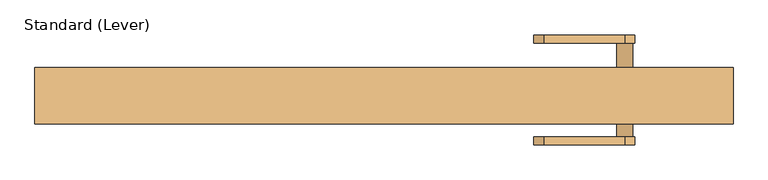
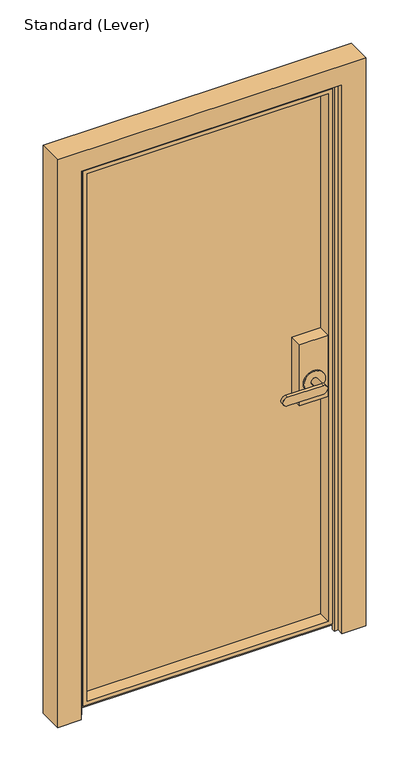
"""IFC4 building model written with IfcOpenShell, lengths in millimetres: door geometry, Standard (Lever)."""

import ifcopenshell
import ifcopenshell.guid

model = None  # the IFC model being written
_history = None  # IfcOwnerHistory: only IFC2X3 demands one
_inside = {}  # id of a spatial element -> (the spatial element, [elements in it])
_under = {}  # id of a project, library or spatial element -> (it, [spatial elements below it])
_declared = {}  # id of a project -> (the project, [libraries it declares])
_typed = {}  # id of a type object -> (the type object, [elements of that type])
_made_of = {}  # id of a material, layer set ... -> (it, [elements and type objects made of it])


def new_model(schema):
    """Start an empty IFC model of exactly this schema.

    Asked for "IFC4X3", IfcOpenShell would pick the latest addendum, in which some entities
    have other attributes; the version numbers below select the first issue.
    IFC2X3 requires an IfcOwnerHistory on every rooted entity: one is made here for all.
    """
    global model, _history
    if schema == "IFC4X3":
        model = ifcopenshell.file(schema_version=(4, 3, 0, 0))
    else:
        model = ifcopenshell.file(schema=schema)
    _inside.clear()
    _under.clear()
    _declared.clear()
    _typed.clear()
    _made_of.clear()
    _history = None
    if model.schema == "IFC2X3":
        org = make("IfcOrganization", Name="unknown")
        user = make(
            "IfcPersonAndOrganization",
            ThePerson=make("IfcPerson", FamilyName="unknown"),
            TheOrganization=org,
        )
        app = make(
            "IfcApplication",
            ApplicationDeveloper=org,
            Version="unknown",
            ApplicationFullName="unknown",
            ApplicationIdentifier="unknown",
        )
        _history = make(
            "IfcOwnerHistory",
            OwningUser=user,
            OwningApplication=app,
            ChangeAction="ADDED",
            CreationDate=0,
        )
    return model


def make(cls, **values):
    """One entity of the class cls with the attributes given. An attribute that is None is left unset."""
    return model.create_entity(
        cls, **{name: value for name, value in values.items() if value is not None}
    )


def rooted(cls, **values):
    """An entity with a GlobalId (a new one), such as an element, a storey or a relation."""
    return make(cls, GlobalId=ifcopenshell.guid.new(), OwnerHistory=_history, **values)


def si_unit(unit_type, name, prefix=None):
    """IfcSIUnit, for example si_unit("LENGTHUNIT", "METRE", prefix="MILLI")."""
    return make("IfcSIUnit", UnitType=unit_type, Prefix=prefix, Name=name)


def assignment(units):
    """IfcUnitAssignment: the units of a project."""
    return None if units is None else make("IfcUnitAssignment", Units=units)


def point(xyz):
    """IfcCartesianPoint."""
    return None if xyz is None else make("IfcCartesianPoint", Coordinates=xyz)


def direction(xyz):
    """IfcDirection."""
    return None if xyz is None else make("IfcDirection", DirectionRatios=xyz)


def frame(location, z_axis=None, x_axis=None):
    """IfcAxis2Placement3D, a coordinate frame: its origin and axes. An axis left out is left unset."""
    return make(
        "IfcAxis2Placement3D",
        Location=point(location),
        Axis=direction(z_axis),
        RefDirection=direction(x_axis),
    )


def origin():
    """The frame at (0, 0, 0) with its axes left unset."""
    return frame((0.0, 0.0, 0.0))


def place(relative_to, where):
    """IfcLocalPlacement: puts the frame where relative to a parent placement (None: the world)."""
    return make(
        "IfcLocalPlacement", PlacementRelTo=relative_to, RelativePlacement=where
    )


def context(
    kind, dimensions, precision=None, world=None, true_north=None, identifier=None
):
    """IfcGeometricRepresentationContext, for example the 3D "Model" context."""
    return make(
        "IfcGeometricRepresentationContext",
        ContextIdentifier=identifier,
        ContextType=kind,
        CoordinateSpaceDimension=dimensions,
        Precision=precision,
        WorldCoordinateSystem=world,
        TrueNorth=true_north,
    )


def project(units=None, contexts=None):
    """IfcProject with its units and contexts."""
    return rooted(
        "IfcProject",
        Name="project",
        RepresentationContexts=contexts,
        UnitsInContext=assignment(units),
    )


def spatial(cls, under=None, at=None, **own):
    """A site, building, storey or space (cls), placed at a placement, below another one or the project."""
    s = rooted(cls, ObjectPlacement=at, **own)
    if under is not None:
        _under.setdefault(under.id(), (under, []))[1].append(s)
    return s


def polyline(points):
    """IfcPolyline through the points."""
    return make("IfcPolyline", Points=[point(p) for p in points])


def circle_curve(where, radius):
    """IfcCircle in the frame where."""
    return make("IfcCircle", Position=where, Radius=radius)


def outline(outer, holes=None, kind="AREA"):
    """IfcArbitraryClosedProfileDef: a profile drawn as a closed curve; with holes, ...WithVoids."""
    if holes is None:
        return make("IfcArbitraryClosedProfileDef", ProfileType=kind, OuterCurve=outer)
    return make(
        "IfcArbitraryProfileDefWithVoids",
        ProfileType=kind,
        OuterCurve=outer,
        InnerCurves=holes,
    )


def extrude(swept, where, along, depth):
    """IfcExtrudedAreaSolid: the profile swept, set in the frame where, extruded along a direction by depth."""
    return make(
        "IfcExtrudedAreaSolid",
        SweptArea=swept,
        Position=where,
        ExtrudedDirection=direction(along),
        Depth=depth,
    )


def faces_of(points, faces, orient=None, outer=None):
    """IfcFace entities. A face is a list of loops; a loop is a list of indices into points, from 0.

    orient and outer hold one flag for each loop. By default every Orientation is true, the
    first loop of a face is its IfcFaceOuterBound and the others are IfcFaceBound.
    """
    made = []
    for i, loops in enumerate(faces):
        bounds = []
        for j, loop in enumerate(loops):
            is_outer = j == 0 if outer is None else outer[i][j]
            bounds.append(
                make(
                    "IfcFaceOuterBound" if is_outer else "IfcFaceBound",
                    Bound=make("IfcPolyLoop", Polygon=[points[k] for k in loop]),
                    Orientation=True if orient is None else orient[i][j],
                )
            )
        made.append(make("IfcFace", Bounds=bounds))
    return made


def faceted_brep(points, faces, orient=None, outer=None, voids=None):
    """IfcFacetedBrep: a solid bounded by flat faces; with voids (closed shells), ...WithVoids."""
    shared = [point(p) for p in points]
    hull = make("IfcClosedShell", CfsFaces=faces_of(shared, faces, orient, outer))
    if voids is None:
        return make("IfcFacetedBrep", Outer=hull)
    return make(
        "IfcFacetedBrepWithVoids",
        Outer=hull,
        Voids=[
            make(cls, CfsFaces=faces_of(shared, fs, o, b)) for cls, fs, o, b in voids
        ],
    )


def shape(context_of_items, identifier, shape_type, items):
    """IfcShapeRepresentation: the items that make up one representation, for example the "Body"."""
    return make(
        "IfcShapeRepresentation",
        ContextOfItems=context_of_items,
        RepresentationIdentifier=identifier,
        RepresentationType=shape_type,
        Items=items,
    )


def source(mapping_origin, context_of_items, identifier, shape_type, items):
    """IfcRepresentationMap: a shape defined once, which mapped items show again and again."""
    return make(
        "IfcRepresentationMap",
        MappingOrigin=mapping_origin,
        MappedRepresentation=shape(context_of_items, identifier, shape_type, items),
    )


def transform(
    local_origin,
    x_axis=None,
    y_axis=None,
    z_axis=None,
    scale=None,
    scale2=None,
    scale3=None,
    uniform=True,
):
    """IfcCartesianTransformationOperator3D, or its non-uniform kind. x_axis, y_axis, z_axis: its Axis1, 2, 3."""
    if uniform:
        return make(
            "IfcCartesianTransformationOperator3D",
            Axis1=direction(x_axis),
            Axis2=direction(y_axis),
            LocalOrigin=point(local_origin),
            Scale=scale,
            Axis3=direction(z_axis),
        )
    return make(
        "IfcCartesianTransformationOperator3DnonUniform",
        Axis1=direction(x_axis),
        Axis2=direction(y_axis),
        LocalOrigin=point(local_origin),
        Scale=scale,
        Axis3=direction(z_axis),
        Scale2=scale2,
        Scale3=scale3,
    )


def mapped(mapping_source, mapping_target):
    """IfcMappedItem: shows the shape of a source again, moved by a transform."""
    return make(
        "IfcMappedItem", MappingSource=mapping_source, MappingTarget=mapping_target
    )


def made_of(thing, what):
    """Note that an element or type object is made of a material, layer set ...; save() writes the relation."""
    if what is not None:
        _made_of.setdefault(what.id(), (what, []))[1].append(thing)
    return thing


def element(
    cls,
    number,
    at=None,
    inside=None,
    cuts=None,
    type_object=None,
    material=None,
    context=None,
    identifier="Body",
    shape_type=None,
    held_by="IfcProductDefinitionShape",
    body=None,
    shapes=None,
    **own,
):
    """One element of the class cls, such as IfcWall. Its Tag is "e" and its number.

    at: its placement. inside: the storey or other place that contains it. cuts: it is an
    opening in that element (IfcRelVoidsElement). A single representation is given by context,
    identifier, shape_type and body (its items); several are given by shapes. held_by: the class
    of the entity that holds the representations. save() writes the other relations.
    """
    e = rooted(cls, Tag="e%d" % number, ObjectPlacement=at, **own)
    if body is not None:
        shapes = [shape(context, identifier, shape_type, body)]
    if shapes is not None:
        e.Representation = make(held_by, Representations=shapes)
    if inside is not None:
        _inside.setdefault(inside.id(), (inside, []))[1].append(e)
    if cuts is not None:
        rooted(
            "IfcRelVoidsElement", RelatingBuildingElement=cuts, RelatedOpeningElement=e
        )
    if type_object is not None:
        _typed.setdefault(type_object.id(), (type_object, []))[1].append(e)
    return made_of(e, material)


def aggregate(whole, parts):
    """IfcRelAggregates: a whole, such as a stair, and the parts it consists of."""
    return rooted("IfcRelAggregates", RelatingObject=whole, RelatedObjects=parts)


def save(model, path):
    """Write the relations noted so far, then the file.

    IfcRelAggregates (storeys below a building ...), IfcRelContainedInSpatialStructure (elements
    in a storey), IfcRelDefinesByType, IfcRelAssociatesMaterial and IfcRelDeclares: one each for
    every whole, place, type object, material and project.
    """
    for whole, parts in _under.values():
        aggregate(whole, parts)
    for where, things in _inside.values():
        rooted(
            "IfcRelContainedInSpatialStructure",
            RelatedElements=things,
            RelatingStructure=where,
        )
    for kind, things in _typed.values():
        rooted("IfcRelDefinesByType", RelatedObjects=things, RelatingType=kind)
    for what, things in _made_of.values():
        rooted("IfcRelAssociatesMaterial", RelatedObjects=things, RelatingMaterial=what)
    for by, libraries in _declared.values():
        rooted("IfcRelDeclares", RelatingContext=by, RelatedDefinitions=libraries)
    model.write(path)


def plane_surface(at):
    """IfcPlane: the flat surface through the origin of the frame at, square to its z axis."""
    return make("IfcPlane", Position=at)


def cylinder_surface(at, radius):
    """IfcCylindricalSurface: all points at the distance radius from the z axis of the frame at."""
    return make("IfcCylindricalSurface", Position=at, Radius=radius)


def advanced_brep(points, edges, surfaces, faces):
    """IfcAdvancedBrep: a solid bounded by faces that lie on surfaces and meet in shared edges.

    An edge is (start, end): straight between two places in points (the first is 0);
    or (start, end, curve); or (start, end, curve, False) where it runs against its curve.
    A face is (place in surfaces, loops), or (place, loops, False) where it looks against
    its surface's normal. A loop lists edges by number (the first is 1), with a minus sign
    where the edge is run from its end to its start. The first loop is the outer one.
    """
    corners = [point(p) for p in points]
    vertices = [make("IfcVertexPoint", VertexGeometry=c) for c in corners]
    made = []
    for start, end, *more in edges:
        made.append(
            make(
                "IfcEdgeCurve",
                EdgeStart=vertices[start],
                EdgeEnd=vertices[end],
                EdgeGeometry=more[0] if more else make("IfcPolyline", Points=[corners[start], corners[end]]),
                SameSense=more[1] if len(more) > 1 else True,
            )
        )
    hull = []
    for where, loops, *sense in faces:
        bounds = []
        for j, loop in enumerate(loops):
            ring = [make("IfcOrientedEdge", EdgeElement=made[abs(k) - 1], Orientation=k > 0) for k in loop]
            bounds.append(
                make(
                    "IfcFaceOuterBound" if j == 0 else "IfcFaceBound",
                    Bound=make("IfcEdgeLoop", EdgeList=ring),
                    Orientation=True,
                )
            )
        hull.append(make("IfcAdvancedFace", Bounds=bounds, FaceSurface=surfaces[where], SameSense=sense[0] if sense else True))
    return make("IfcAdvancedBrep", Outer=make("IfcClosedShell", CfsFaces=hull))


def standard_lever_28383bbc(model_context):
    return source(origin(), model_context, "Body", "SolidModel", [
        advanced_brep(
        [(428.625, -19.84375, 1117.6), (428.625, 27.78125, 1117.6), (327.025, 27.78125, 1117.6), (327.025, -19.84375, 1117.6), (428.625, -19.84375, 889.0), (327.025, -19.84375, 889.0), (327.025, 27.78125, 889.0), (428.625, 27.78125, 889.0), (415.925, -19.84375, 965.2), (339.725, -19.84375, 965.2), (390.525, -24.60625, 965.2), (390.525, -64.29375, 965.2), (365.125, -64.29375, 965.2), (365.125, -24.60625, 965.2), (415.925, -24.60625, 965.2), (339.725, -24.60625, 965.2), (377.825, -64.29375, 949.325), (250.825, -64.29375, 949.325), (250.825, -64.29375, 981.075), (377.825, -64.29375, 981.075), (377.825, -76.99375, 949.325), (377.825, -76.99375, 981.075), (250.825, -76.99375, 981.075), (250.825, -76.99375, 949.325)],
        [
            (0, 1),
            (1, 2),
            (2, 3),
            (3, 0),
            (4, 5),
            (5, 6),
            (6, 7),
            (7, 4),
            (0, 4),
            (7, 1),
            (6, 2),
            (5, 3),
            (8, 9, circle_curve(frame((377.825, -19.84375, 965.2), z_axis=(0.0, 1.0, 0.0), x_axis=(-1.0, 0.0, 0.0)), 38.1)),
            (9, 8, circle_curve(frame((377.825, -19.84375, 965.2), z_axis=(0.0, 1.0, 0.0), x_axis=(-1.0, 0.0, 0.0)), 38.1)),
            (10, 11),
            (11, 12, circle_curve(frame((377.825, -64.29375, 965.2), z_axis=(0.0, 1.0, 0.0), x_axis=(-1.0, 0.0, 0.0)), 12.7)),
            (12, 13),
            (13, 10, circle_curve(frame((377.825, -24.60625, 965.2), z_axis=(0.0, -1.0, 0.0), x_axis=(-1.0, 0.0, 0.0)), 12.7)),
            (10, 13, circle_curve(frame((377.825, -24.60625, 965.2), z_axis=(0.0, -1.0, 0.0), x_axis=(-1.0, 0.0, 0.0)), 12.7)),
            (12, 11, circle_curve(frame((377.825, -64.29375, 965.2), z_axis=(0.0, 1.0, 0.0), x_axis=(-1.0, 0.0, 0.0)), 12.7)),
            (14, 15, circle_curve(frame((377.825, -24.60625, 965.2), z_axis=(0.0, -1.0, 0.0), x_axis=(-1.0, 0.0, 0.0)), 38.1)),
            (15, 14, circle_curve(frame((377.825, -24.60625, 965.2), z_axis=(0.0, -1.0, 0.0), x_axis=(-1.0, 0.0, 0.0)), 38.1)),
            (15, 9),
            (8, 14),
            (16, 17),
            (17, 18, circle_curve(frame((250.825, -64.29375, 965.2), z_axis=(0.0, 1.0, 0.0), x_axis=(-1.0, 0.0, 0.0)), 15.875)),
            (18, 19),
            (19, 16, circle_curve(frame((377.825, -64.29375, 965.2), z_axis=(0.0, 1.0, 0.0), x_axis=(-1.0, 0.0, 0.0)), 15.875)),
            (20, 21, circle_curve(frame((377.825, -76.99375, 965.2), z_axis=(0.0, -1.0, 0.0), x_axis=(-1.0, 0.0, 0.0)), 15.875)),
            (21, 22),
            (22, 23, circle_curve(frame((250.825, -76.99375, 965.2), z_axis=(0.0, -1.0, 0.0), x_axis=(-1.0, 0.0, 0.0)), 15.875)),
            (23, 20),
            (16, 20),
            (23, 17),
            (22, 18),
            (21, 19),
        ],
        [
            plane_surface(frame((428.625, -87.0505478, 1117.6), z_axis=(0.0, 0.0, 1.0), x_axis=(0.0, 1.0, 0.0))),
            plane_surface(frame((428.625, -87.0505478, 889.0), z_axis=(0.0, 0.0, -1.0), x_axis=(0.0, -1.0, 0.0))),
            plane_surface(frame((428.625, -19.84375, 1117.6), z_axis=(1.0, 0.0, 0.0), x_axis=(0.0, 0.0, -1.0))),
            plane_surface(frame((428.625, 27.78125, 1117.6), z_axis=(0.0, 1.0, 0.0), x_axis=(0.0, 0.0, -1.0))),
            plane_surface(frame((327.025, 27.78125, 1117.6), z_axis=(-1.0, 0.0, 0.0), x_axis=(0.0, 0.0, -1.0))),
            plane_surface(frame((327.025, -19.84375, 1117.6), z_axis=(0.0, -1.0, 0.0), x_axis=(0.0, 0.0, -1.0))),
            cylinder_surface(frame((377.825, -64.29375, 965.2), z_axis=(0.0, 1.0, 0.0), x_axis=(-1.0, 0.0, 0.0)), 12.7),
            plane_surface(frame((339.725, -24.60625, 965.2), z_axis=(0.0, -1.0, 0.0), x_axis=(0.0, 0.0, -1.0))),
            cylinder_surface(frame((377.825, -24.60625, 965.2), z_axis=(0.0, 1.0, 0.0), x_axis=(-1.0, 0.0, 0.0)), 38.1),
            plane_surface(frame((377.825, -64.29375, 949.325), z_axis=(0.0, 1.0, 0.0), x_axis=(-1.0, 0.0, 0.0))),
            plane_surface(frame((377.825, -76.99375, 949.325), z_axis=(0.0, -1.0, 0.0), x_axis=(1.0, 0.0, 0.0))),
            plane_surface(frame((377.825, -64.29375, 949.325), z_axis=(0.0, 0.0, -1.0), x_axis=(0.0, -1.0, 0.0))),
            cylinder_surface(frame((250.825, -76.99375, 965.2), z_axis=(0.0, 1.0, 0.0), x_axis=(-1.0, 0.0, 0.0)), 15.875),
            plane_surface(frame((250.825, -64.29375, 981.075), z_axis=(0.0, 0.0, 1.0), x_axis=(0.0, -1.0, 0.0))),
            cylinder_surface(frame((377.825, -76.99375, 965.2), z_axis=(0.0, 1.0, 0.0), x_axis=(-1.0, 0.0, 0.0)), 15.875),
        ],
        [
            (0, [[1, 2, 3, 4]]),
            (1, [[5, 6, 7, 8]]),
            (2, [[-1, 9, -8, 10]]),
            (3, [[-2, -10, -7, 11]]),
            (4, [[-3, -11, -6, 12]]),
            (5, [[-4, -12, -5, -9], [13, 14]]),
            (6, [[15, 16, 17, 18]]),
            (6, [[-15, 19, -17, 20]]),
            (7, [[21, 22], [-18, -19]]),
            (8, [[-22, 23, -13, 24]]),
            (8, [[-21, -24, -14, -23]]),
            (9, [[25, 26, 27, 28], [-16, -20]]),
            (10, [[29, 30, 31, 32]]),
            (11, [[-25, 33, -32, 34]]),
            (12, [[-26, -34, -31, 35]]),
            (13, [[-27, -35, -30, 36]]),
            (14, [[-28, -36, -29, -33]]),
        ],
    ),
        advanced_brep(
        [(428.625, 37.30625, 1117.6), (428.625, 38.89375, 1117.6), (327.025, 38.89375, 1117.6), (327.025, 37.30625, 1117.6), (428.625, 37.30625, 889.0), (327.025, 37.30625, 889.0), (327.025, 38.89375, 889.0), (428.625, 38.89375, 889.0), (415.925, 43.65625, 965.2), (339.725, 43.65625, 965.2), (365.125, 43.65625, 965.2), (390.525, 43.65625, 965.2), (415.925, 38.89375, 965.2), (339.725, 38.89375, 965.2), (390.525, 83.34375, 965.2), (365.125, 83.34375, 965.2), (250.825, 96.04375, 949.325), (250.825, 96.04375, 981.075), (377.825, 96.04375, 981.075), (377.825, 96.04375, 949.325), (250.825, 83.34375, 949.325), (377.825, 83.34375, 949.325), (377.825, 83.34375, 981.075), (250.825, 83.34375, 981.075)],
        [
            (0, 1),
            (1, 2),
            (2, 3),
            (3, 0),
            (4, 5),
            (5, 6),
            (6, 7),
            (7, 4),
            (0, 4),
            (7, 1),
            (2, 6),
            (5, 3),
            (8, 9, circle_curve(frame((377.825, 43.65625, 965.2), z_axis=(0.0, 1.0, 0.0), x_axis=(-1.0, 0.0, 0.0)), 38.1)),
            (9, 8, circle_curve(frame((377.825, 43.65625, 965.2), z_axis=(0.0, 1.0, 0.0), x_axis=(-1.0, 0.0, 0.0)), 38.1)),
            (10, 11, circle_curve(frame((377.825, 43.65625, 965.2), z_axis=(0.0, -1.0, 0.0), x_axis=(-1.0, 0.0, 0.0)), 12.7)),
            (11, 10, circle_curve(frame((377.825, 43.65625, 965.2), z_axis=(0.0, -1.0, 0.0), x_axis=(-1.0, 0.0, 0.0)), 12.7)),
            (8, 12),
            (12, 13, circle_curve(frame((377.825, 38.89375, 965.2), z_axis=(0.0, 1.0, 0.0), x_axis=(-1.0, 0.0, 0.0)), 38.1)),
            (13, 9),
            (13, 12, circle_curve(frame((377.825, 38.89375, 965.2), z_axis=(0.0, 1.0, 0.0), x_axis=(-1.0, 0.0, 0.0)), 38.1)),
            (14, 11),
            (10, 15),
            (15, 14, circle_curve(frame((377.825, 83.34375, 965.2), z_axis=(0.0, -1.0, 0.0), x_axis=(-1.0, 0.0, 0.0)), 12.7)),
            (14, 15, circle_curve(frame((377.825, 83.34375, 965.2), z_axis=(0.0, -1.0, 0.0), x_axis=(-1.0, 0.0, 0.0)), 12.7)),
            (16, 17, circle_curve(frame((250.825, 96.04375, 965.2), z_axis=(0.0, 1.0, 0.0), x_axis=(-1.0, 0.0, 0.0)), 15.875)),
            (17, 18),
            (18, 19, circle_curve(frame((377.825, 96.04375, 965.2), z_axis=(0.0, 1.0, 0.0), x_axis=(-1.0, 0.0, 0.0)), 15.875)),
            (19, 16),
            (20, 21),
            (21, 22, circle_curve(frame((377.825, 83.34375, 965.2), z_axis=(0.0, -1.0, 0.0), x_axis=(-1.0, 0.0, 0.0)), 15.875)),
            (22, 23),
            (23, 20, circle_curve(frame((250.825, 83.34375, 965.2), z_axis=(0.0, -1.0, 0.0), x_axis=(-1.0, 0.0, 0.0)), 15.875)),
            (16, 20),
            (23, 17),
            (22, 18),
            (21, 19),
        ],
        [
            plane_surface(frame((428.625, -87.0505478, 1117.6), z_axis=(0.0, 0.0, 1.0), x_axis=(0.0, 1.0, 0.0))),
            plane_surface(frame((428.625, -87.0505478, 889.0), z_axis=(0.0, 0.0, -1.0), x_axis=(0.0, -1.0, 0.0))),
            plane_surface(frame((428.625, 37.30625, 1117.6), z_axis=(1.0, 0.0, 0.0), x_axis=(0.0, 0.0, -1.0))),
            plane_surface(frame((327.025, 38.89375, 1117.6), z_axis=(-1.0, 0.0, 0.0), x_axis=(0.0, 0.0, -1.0))),
            plane_surface(frame((327.025, 37.30625, 1117.6), z_axis=(0.0, -1.0, 0.0), x_axis=(0.0, 0.0, -1.0))),
            plane_surface(frame((339.725, 43.65625, 965.2), z_axis=(0.0, 1.0, 0.0), x_axis=(0.0, 0.0, 1.0))),
            cylinder_surface(frame((377.825, 38.89375, 965.2), z_axis=(0.0, 1.0, 0.0), x_axis=(-1.0, 0.0, 0.0)), 38.1),
            cylinder_surface(frame((377.825, 40.48125, 965.2), z_axis=(0.0, 1.0, 0.0), x_axis=(-1.0, 0.0, 0.0)), 12.7),
            plane_surface(frame((234.95, 96.04375, 965.2), z_axis=(0.0, 1.0, 0.0), x_axis=(0.0, 0.0, 1.0))),
            plane_surface(frame((234.95, 83.34375, 965.2), z_axis=(0.0, -1.0, 0.0), x_axis=(0.0, 0.0, -1.0))),
            cylinder_surface(frame((250.825, 83.34375, 965.2), z_axis=(0.0, 1.0, 0.0), x_axis=(-1.0, 0.0, 0.0)), 15.875),
            plane_surface(frame((250.825, 96.04375, 981.075), z_axis=(0.0, 0.0, 1.0), x_axis=(0.0, -1.0, 0.0))),
            cylinder_surface(frame((377.825, 83.34375, 965.2), z_axis=(0.0, 1.0, 0.0), x_axis=(-1.0, 0.0, 0.0)), 15.875),
            plane_surface(frame((377.825, 96.04375, 949.325), z_axis=(0.0, 0.0, -1.0), x_axis=(0.0, -1.0, 0.0))),
            plane_surface(frame((428.625, 38.89375, 1117.6), z_axis=(0.0, 1.0, 0.0), x_axis=(0.0, 0.0, -1.0))),
        ],
        [
            (0, [[1, 2, 3, 4]]),
            (1, [[5, 6, 7, 8]]),
            (2, [[-1, 9, -8, 10]]),
            (3, [[-3, 11, -6, 12]]),
            (4, [[-4, -12, -5, -9]]),
            (5, [[13, 14], [15, 16]]),
            (6, [[-13, 17, 18, 19]]),
            (6, [[-14, -19, 20, -17]]),
            (7, [[21, -15, 22, 23]]),
            (7, [[-21, 24, -22, -16]]),
            (8, [[25, 26, 27, 28]]),
            (9, [[29, 30, 31, 32], [-23, -24]]),
            (10, [[-25, 33, -32, 34]]),
            (11, [[-26, -34, -31, 35]]),
            (12, [[-27, -35, -30, 36]]),
            (13, [[-28, -36, -29, -33]]),
            (14, [[-2, -10, -7, -11], [-18, -20]]),
        ],
    ),
        extrude(outline(polyline([(441.325, 37.30625), (441.325, 27.78125), (-441.325, 27.78125), (-441.325, 37.30625), (441.325, 37.30625)])), frame((0.0, 0.0, 30.1625), z_axis=(0.0, 0.0, 1.0), x_axis=(1.0, 0.0, 0.0)), (0.0, 0.0, 1.0), 2006.6),
        faceted_brep([(-428.625, 27.78125, 2024.0625), (-428.625, -19.84375, 2024.0625), (-428.625, -19.84375, 42.8625), (-428.625, 27.78125, 42.8625), (-442.9125, -19.84375, 28.575), (442.9125, -19.84375, 28.575), (442.9125, -19.84375, 2038.35), (-442.9125, -19.84375, 2038.35), (428.625, -19.84375, 42.8625), (428.625, -19.84375, 2024.0625), (428.625, 27.78125, 42.8625), (441.325, 27.78125, 30.1625), (-441.325, 27.78125, 30.1625), (-441.325, 27.78125, 2036.7625), (441.325, 27.78125, 2036.7625), (428.625, 27.78125, 2024.0625), (-441.325, 37.30625, 2036.7625), (-441.325, 37.30625, 30.1625), (441.325, 37.30625, 30.1625), (441.325, 37.30625, 2036.7625), (428.625, 37.30625, 42.8625), (-428.625, 37.30625, 42.8625), (-428.625, 37.30625, 2024.0625), (428.625, 37.30625, 2024.0625), (-428.625, 38.89375, 2024.0625), (-428.625, 38.89375, 42.8625), (428.625, 38.89375, 42.8625), (458.7875, 38.89375, 12.7), (-458.7875, 38.89375, 12.7), (-458.7875, 38.89375, 2054.225), (458.7875, 38.89375, 2054.225), (428.625, 38.89375, 2024.0625), (-458.7875, -5.55625, 2054.225), (-458.7875, -5.55625, 12.7), (458.7875, -5.55625, 12.7), (458.7875, -5.55625, 2054.225), (-442.9125, -5.55625, 28.575), (-442.9125, -5.55625, 2038.35), (442.9125, -5.55625, 2038.35), (442.9125, -5.55625, 28.575)], [[[0, 1, 2, 3]], [[4, 5, 6, 7], [8, 2, 1, 9]], [[3, 2, 8, 10]], [[11, 12, 13, 14], [3, 10, 15, 0]], [[16, 13, 12, 17]], [[17, 12, 11, 18]], [[17, 18, 19, 16], [20, 21, 22, 23]], [[24, 22, 21, 25]], [[25, 21, 20, 26]], [[27, 28, 29, 30], [25, 26, 31, 24]], [[32, 29, 28, 33]], [[33, 28, 27, 34]], [[34, 35, 32, 33], [36, 37, 38, 39]], [[10, 8, 9, 15]], [[18, 11, 14, 19]], [[26, 20, 23, 31]], [[34, 27, 30, 35]], [[4, 36, 39, 5]], [[5, 39, 38, 6]], [[7, 37, 36, 4]], [[15, 9, 1, 0]], [[19, 14, 13, 16]], [[31, 23, 22, 24]], [[35, 30, 29, 32]], [[6, 38, 37, 7]]]),
        faceted_brep([(463.55, -44.45, 0.0), (463.55, -20.6375, 0.0), (449.2625, -20.6375, 0.0), (449.2625, -9.525, 0.0), (463.55, -9.525, 0.0), (463.55, 44.45, 0.0), (547.6875, 44.45, 0.0), (547.6875, -44.45, 0.0), (463.55, -44.45, 2060.575), (463.55, -20.6375, 2060.575), (-463.55, -20.6375, 2060.575), (-463.55, -20.6375, 0.0), (-449.2625, -20.6375, 0.0), (-449.2625, -20.6375, 2046.2875), (449.2625, -20.6375, 2046.2875), (449.2625, -9.525, 2046.2875), (-449.2625, -9.525, 2046.2875), (-449.2625, -9.525, 0.0), (-463.55, -9.525, 0.0), (-463.55, -9.525, 2060.575), (463.55, -9.525, 2060.575), (463.55, 44.45, 2060.575), (-463.55, 44.45, 2060.575), (-463.55, 44.45, 0.0), (-547.6875, 44.45, 0.0), (-547.6875, 44.45, 2133.6), (547.6875, 44.45, 2133.6), (547.6875, -44.45, 2133.6), (-547.6875, -44.45, 2133.6), (-547.6875, -44.45, 0.0), (-463.55, -44.45, 0.0), (-463.55, -44.45, 2060.575)], [[[0, 1, 2, 3, 4, 5, 6, 7]], [[1, 0, 8, 9]], [[2, 1, 9, 10, 11, 12, 13, 14]], [[3, 2, 14, 15]], [[4, 3, 15, 16, 17, 18, 19, 20]], [[5, 4, 20, 21]], [[6, 5, 21, 22, 23, 24, 25, 26]], [[7, 6, 26, 27]], [[0, 7, 27, 28, 29, 30, 31, 8]], [[30, 29, 24, 23, 18, 17, 12, 11]], [[24, 29, 28, 25]], [[19, 18, 23, 22]], [[12, 17, 16, 13]], [[30, 11, 10, 31]], [[28, 27, 26, 25]], [[10, 9, 8, 31]], [[15, 14, 13, 16]], [[21, 20, 19, 22]]]),
    ])


if __name__ == "__main__":
    model = new_model("IFC4")
    model_context = context("Model", 3, world=origin())
    ifc_project = project(units=[si_unit("LENGTHUNIT", "METRE", prefix="MILLI")], contexts=[model_context])
    site = spatial("IfcSite", under=ifc_project)
    building = spatial("IfcBuilding", under=site)
    placement = place(None, origin())
    standard_lever_shape = standard_lever_28383bbc(model_context)
    element("IfcDoor", 1, ObjectType="Standard (Lever)", at=placement, inside=building, context=model_context, shape_type="MappedRepresentation", body=[
        mapped(standard_lever_shape, transform((0.0, 0.0, 0.0), x_axis=(1.0, 0.0, 0.0), y_axis=(0.0, 1.0, 0.0), z_axis=(0.0, 0.0, 1.0))),
    ])
    save(model, "model.ifc")
